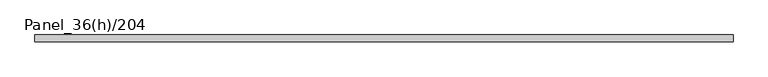
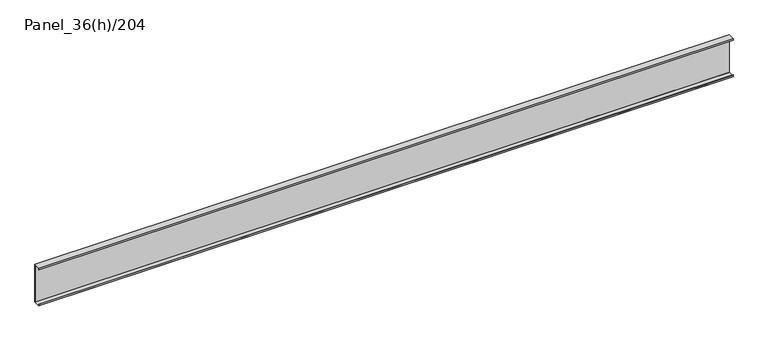
"""IFC4 building model written with IfcOpenShell, lengths in millimetres: plate geometry, Panel_36(h)/204."""

import ifcopenshell
import ifcopenshell.guid

model = None  # the IFC model being written
_history = None  # IfcOwnerHistory: only IFC2X3 demands one
_inside = {}  # id of a spatial element -> (the spatial element, [elements in it])
_under = {}  # id of a project, library or spatial element -> (it, [spatial elements below it])
_declared = {}  # id of a project -> (the project, [libraries it declares])
_typed = {}  # id of a type object -> (the type object, [elements of that type])
_made_of = {}  # id of a material, layer set ... -> (it, [elements and type objects made of it])


def new_model(schema):
    """Start an empty IFC model of exactly this schema.

    Asked for "IFC4X3", IfcOpenShell would pick the latest addendum, in which some entities
    have other attributes; the version numbers below select the first issue.
    IFC2X3 requires an IfcOwnerHistory on every rooted entity: one is made here for all.
    """
    global model, _history
    if schema == "IFC4X3":
        model = ifcopenshell.file(schema_version=(4, 3, 0, 0))
    else:
        model = ifcopenshell.file(schema=schema)
    _inside.clear()
    _under.clear()
    _declared.clear()
    _typed.clear()
    _made_of.clear()
    _history = None
    if model.schema == "IFC2X3":
        org = make("IfcOrganization", Name="unknown")
        user = make(
            "IfcPersonAndOrganization",
            ThePerson=make("IfcPerson", FamilyName="unknown"),
            TheOrganization=org,
        )
        app = make(
            "IfcApplication",
            ApplicationDeveloper=org,
            Version="unknown",
            ApplicationFullName="unknown",
            ApplicationIdentifier="unknown",
        )
        _history = make(
            "IfcOwnerHistory",
            OwningUser=user,
            OwningApplication=app,
            ChangeAction="ADDED",
            CreationDate=0,
        )
    return model


def make(cls, **values):
    """One entity of the class cls with the attributes given. An attribute that is None is left unset."""
    return model.create_entity(
        cls, **{name: value for name, value in values.items() if value is not None}
    )


def rooted(cls, **values):
    """An entity with a GlobalId (a new one), such as an element, a storey or a relation."""
    return make(cls, GlobalId=ifcopenshell.guid.new(), OwnerHistory=_history, **values)


def si_unit(unit_type, name, prefix=None):
    """IfcSIUnit, for example si_unit("LENGTHUNIT", "METRE", prefix="MILLI")."""
    return make("IfcSIUnit", UnitType=unit_type, Prefix=prefix, Name=name)


def assignment(units):
    """IfcUnitAssignment: the units of a project."""
    return None if units is None else make("IfcUnitAssignment", Units=units)


def point(xyz):
    """IfcCartesianPoint."""
    return None if xyz is None else make("IfcCartesianPoint", Coordinates=xyz)


def direction(xyz):
    """IfcDirection."""
    return None if xyz is None else make("IfcDirection", DirectionRatios=xyz)


def frame(location, z_axis=None, x_axis=None):
    """IfcAxis2Placement3D, a coordinate frame: its origin and axes. An axis left out is left unset."""
    return make(
        "IfcAxis2Placement3D",
        Location=point(location),
        Axis=direction(z_axis),
        RefDirection=direction(x_axis),
    )


def origin():
    """The frame at (0, 0, 0) with its axes left unset."""
    return frame((0.0, 0.0, 0.0))


def place(relative_to, where):
    """IfcLocalPlacement: puts the frame where relative to a parent placement (None: the world)."""
    return make(
        "IfcLocalPlacement", PlacementRelTo=relative_to, RelativePlacement=where
    )


def context(
    kind, dimensions, precision=None, world=None, true_north=None, identifier=None
):
    """IfcGeometricRepresentationContext, for example the 3D "Model" context."""
    return make(
        "IfcGeometricRepresentationContext",
        ContextIdentifier=identifier,
        ContextType=kind,
        CoordinateSpaceDimension=dimensions,
        Precision=precision,
        WorldCoordinateSystem=world,
        TrueNorth=true_north,
    )


def project(units=None, contexts=None):
    """IfcProject with its units and contexts."""
    return rooted(
        "IfcProject",
        Name="project",
        RepresentationContexts=contexts,
        UnitsInContext=assignment(units),
    )


def spatial(cls, under=None, at=None, **own):
    """A site, building, storey or space (cls), placed at a placement, below another one or the project."""
    s = rooted(cls, ObjectPlacement=at, **own)
    if under is not None:
        _under.setdefault(under.id(), (under, []))[1].append(s)
    return s


def polyline(points):
    """IfcPolyline through the points."""
    return make("IfcPolyline", Points=[point(p) for p in points])


def outline(outer, holes=None, kind="AREA"):
    """IfcArbitraryClosedProfileDef: a profile drawn as a closed curve; with holes, ...WithVoids."""
    if holes is None:
        return make("IfcArbitraryClosedProfileDef", ProfileType=kind, OuterCurve=outer)
    return make(
        "IfcArbitraryProfileDefWithVoids",
        ProfileType=kind,
        OuterCurve=outer,
        InnerCurves=holes,
    )


def extrude(swept, where, along, depth):
    """IfcExtrudedAreaSolid: the profile swept, set in the frame where, extruded along a direction by depth."""
    return make(
        "IfcExtrudedAreaSolid",
        SweptArea=swept,
        Position=where,
        ExtrudedDirection=direction(along),
        Depth=depth,
    )


def shape(context_of_items, identifier, shape_type, items):
    """IfcShapeRepresentation: the items that make up one representation, for example the "Body"."""
    return make(
        "IfcShapeRepresentation",
        ContextOfItems=context_of_items,
        RepresentationIdentifier=identifier,
        RepresentationType=shape_type,
        Items=items,
    )


def source(mapping_origin, context_of_items, identifier, shape_type, items):
    """IfcRepresentationMap: a shape defined once, which mapped items show again and again."""
    return make(
        "IfcRepresentationMap",
        MappingOrigin=mapping_origin,
        MappedRepresentation=shape(context_of_items, identifier, shape_type, items),
    )


def transform(
    local_origin,
    x_axis=None,
    y_axis=None,
    z_axis=None,
    scale=None,
    scale2=None,
    scale3=None,
    uniform=True,
):
    """IfcCartesianTransformationOperator3D, or its non-uniform kind. x_axis, y_axis, z_axis: its Axis1, 2, 3."""
    if uniform:
        return make(
            "IfcCartesianTransformationOperator3D",
            Axis1=direction(x_axis),
            Axis2=direction(y_axis),
            LocalOrigin=point(local_origin),
            Scale=scale,
            Axis3=direction(z_axis),
        )
    return make(
        "IfcCartesianTransformationOperator3DnonUniform",
        Axis1=direction(x_axis),
        Axis2=direction(y_axis),
        LocalOrigin=point(local_origin),
        Scale=scale,
        Axis3=direction(z_axis),
        Scale2=scale2,
        Scale3=scale3,
    )


def mapped(mapping_source, mapping_target):
    """IfcMappedItem: shows the shape of a source again, moved by a transform."""
    return make(
        "IfcMappedItem", MappingSource=mapping_source, MappingTarget=mapping_target
    )


def made_of(thing, what):
    """Note that an element or type object is made of a material, layer set ...; save() writes the relation."""
    if what is not None:
        _made_of.setdefault(what.id(), (what, []))[1].append(thing)
    return thing


def element(
    cls,
    number,
    at=None,
    inside=None,
    cuts=None,
    type_object=None,
    material=None,
    context=None,
    identifier="Body",
    shape_type=None,
    held_by="IfcProductDefinitionShape",
    body=None,
    shapes=None,
    **own,
):
    """One element of the class cls, such as IfcWall. Its Tag is "e" and its number.

    at: its placement. inside: the storey or other place that contains it. cuts: it is an
    opening in that element (IfcRelVoidsElement). A single representation is given by context,
    identifier, shape_type and body (its items); several are given by shapes. held_by: the class
    of the entity that holds the representations. save() writes the other relations.
    """
    e = rooted(cls, Tag="e%d" % number, ObjectPlacement=at, **own)
    if body is not None:
        shapes = [shape(context, identifier, shape_type, body)]
    if shapes is not None:
        e.Representation = make(held_by, Representations=shapes)
    if inside is not None:
        _inside.setdefault(inside.id(), (inside, []))[1].append(e)
    if cuts is not None:
        rooted(
            "IfcRelVoidsElement", RelatingBuildingElement=cuts, RelatedOpeningElement=e
        )
    if type_object is not None:
        _typed.setdefault(type_object.id(), (type_object, []))[1].append(e)
    return made_of(e, material)


def aggregate(whole, parts):
    """IfcRelAggregates: a whole, such as a stair, and the parts it consists of."""
    return rooted("IfcRelAggregates", RelatingObject=whole, RelatedObjects=parts)


def save(model, path):
    """Write the relations noted so far, then the file.

    IfcRelAggregates (storeys below a building ...), IfcRelContainedInSpatialStructure (elements
    in a storey), IfcRelDefinesByType, IfcRelAssociatesMaterial and IfcRelDeclares: one each for
    every whole, place, type object, material and project.
    """
    for whole, parts in _under.values():
        aggregate(whole, parts)
    for where, things in _inside.values():
        rooted(
            "IfcRelContainedInSpatialStructure",
            RelatedElements=things,
            RelatingStructure=where,
        )
    for kind, things in _typed.values():
        rooted("IfcRelDefinesByType", RelatedObjects=things, RelatingType=kind)
    for what, things in _made_of.values():
        rooted("IfcRelAssociatesMaterial", RelatedObjects=things, RelatingMaterial=what)
    for by, libraries in _declared.values():
        rooted("IfcRelDeclares", RelatingContext=by, RelatedDefinitions=libraries)
    model.write(path)


def panel_36_h_204_9085ea4f(model_context):
    return source(origin(), model_context, "Body", "SweptSolid", [
        extrude(outline(polyline([(1780.0000002, 36.0), (1780.0000002, 35.2), (-1780.0000002, 35.2), (-1780.0000002, 36.0), (1780.0000002, 36.0)])), frame((0.0, 0.0, 19.0), z_axis=(0.0, 0.0, 1.0), x_axis=(1.0, 0.0, 0.0)), (0.0, 0.0, 1.0), 198.0),
        extrude(outline(polyline([(0.0, 220.0), (36.0, 220.0), (36.0, 217.0), (35.2, 217.0), (35.2, 219.2), (0.8, 219.2), (0.8, 212.0), (0.0, 212.0), (0.0, 220.0)])), frame((-1780.0000002, 0.0, 0.0), z_axis=(1.0, 0.0, 0.0), x_axis=(0.0, 1.0, 0.0)), (0.0, 0.0, 1.0), 3560.0000003),
        extrude(outline(polyline([(0.0, 16.0), (0.0, 24.0), (0.8, 24.0), (0.8, 16.8), (35.2, 16.8), (35.2, 19.0), (36.0, 19.0), (36.0, 16.0), (0.0, 16.0)])), frame((-1780.0000002, 0.0, 0.0), z_axis=(1.0, 0.0, 0.0), x_axis=(0.0, 1.0, 0.0)), (0.0, 0.0, 1.0), 3560.0000003),
        extrude(outline(polyline([(1780.0000002, 35.2), (1780.0000002, 33.7), (-1780.0000002, 33.7), (-1780.0000002, 35.2), (1780.0000002, 35.2)])), frame((0.0, 0.0, 16.8), z_axis=(0.0, 0.0, 1.0), x_axis=(1.0, 0.0, 0.0)), (0.0, 0.0, 1.0), 202.4),
    ])


if __name__ == "__main__":
    model = new_model("IFC4")
    model_context = context("Model", 3, world=origin())
    ifc_project = project(units=[si_unit("LENGTHUNIT", "METRE", prefix="MILLI")], contexts=[model_context])
    site = spatial("IfcSite", under=ifc_project)
    building = spatial("IfcBuilding", under=site)
    placement = place(None, origin())
    panel_36_h_204_shape = panel_36_h_204_9085ea4f(model_context)
    element("IfcPlate", 1, ObjectType="Panel_36(h)/204", at=placement, inside=building, context=model_context, shape_type="MappedRepresentation", body=[
        mapped(panel_36_h_204_shape, transform((0.0, 0.0, 0.0), x_axis=(1.0, 0.0, 0.0), y_axis=(0.0, 1.0, 0.0), z_axis=(0.0, 0.0, 1.0))),
    ])
    save(model, "model.ifc")
